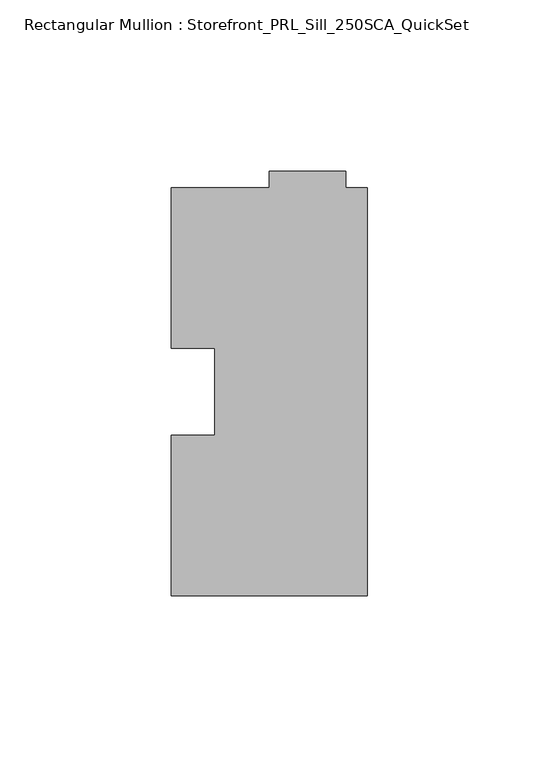
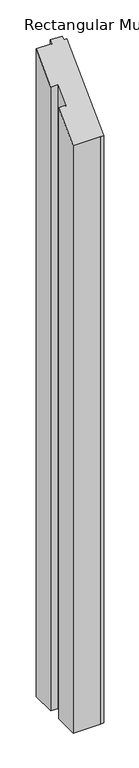
"""IFC4 building model written with IfcOpenShell, lengths in millimetres: member geometry, Rectangular Mullion : Storefront_PRL_Sill_250SCA_QuickSet."""

from ifc_helpers import new_model, si_unit, origin, place, context, project, spatial, faceted_brep, source, transform, mapped, element, save


def rectangular_mullion_storefront_prl_sill_250sca_quickset_732228f7(model_context):
    return source(origin(), model_context, "Body", "Brep", [
        faceted_brep([(-44.45, -12.7, -1219.2), (-44.45, 12.7, -1219.2), (-57.15, 12.7, -1219.2), (-57.15, 59.53125, -1219.2), (-28.575, 59.53125, -1219.2), (-28.575, 64.29375, -1219.2), (-6.35, 64.29375, -1219.2), (-6.35, 59.53125, -1219.2), (0.0, 59.53125, -1219.2), (0.0, -59.53125, -1219.2), (-6.35, -59.53125, -1219.2), (-57.15, -59.53125, -1219.2), (-57.15, -12.7, -1219.2), (-57.15, -12.7, -12.7), (-44.45, -12.7, -12.7), (-57.15, -59.53125, -59.53125), (-6.35, -59.53125, -59.53125), (0.0, -59.53125, -59.53125), (0.0, 59.53125, 59.53125), (-6.35, 59.53125, 59.53125), (-6.35, 64.29375, 64.29375), (-28.575, 64.29375, 64.29375), (-28.575, 59.53125, 59.53125), (-57.15, 59.53125, 59.53125), (-57.15, 12.7, 12.7), (-44.45, 12.7, 12.7)], [[[0, 1, 2, 3, 4, 5, 6, 7, 8, 9, 10, 11, 12]], [[13, 14, 0, 12]], [[15, 13, 12, 11]], [[16, 15, 11, 10]], [[17, 16, 10, 9]], [[18, 17, 9, 8]], [[19, 18, 8, 7]], [[20, 19, 7, 6]], [[21, 20, 6, 5]], [[22, 21, 5, 4]], [[23, 22, 4, 3]], [[24, 23, 3, 2]], [[25, 24, 2, 1]], [[14, 25, 1, 0]], [[14, 13, 15, 16, 17, 18, 19, 20, 21, 22, 23, 24, 25]]]),
    ])


if __name__ == "__main__":
    model = new_model("IFC4")
    model_context = context("Model", 3, world=origin())
    ifc_project = project(units=[si_unit("LENGTHUNIT", "METRE", prefix="MILLI")], contexts=[model_context])
    site = spatial("IfcSite", under=ifc_project)
    building = spatial("IfcBuilding", under=site)
    placement = place(None, origin())
    rectangular_mullion_storefront_prl_sill_250sca_quickset_shape = rectangular_mullion_storefront_prl_sill_250sca_quickset_732228f7(model_context)
    element("IfcMember", 1, ObjectType="Rectangular Mullion : Storefront_PRL_Sill_250SCA_QuickSet", at=placement, inside=building, context=model_context, shape_type="MappedRepresentation", body=[
        mapped(rectangular_mullion_storefront_prl_sill_250sca_quickset_shape, transform((0.0, 0.0, 0.0), x_axis=(1.0, 0.0, 0.0), y_axis=(0.0, 1.0, 0.0), z_axis=(0.0, 0.0, 1.0))),
    ])
    save(model, "model.ifc")
